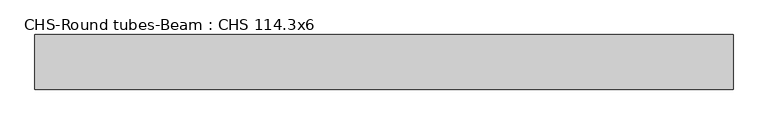
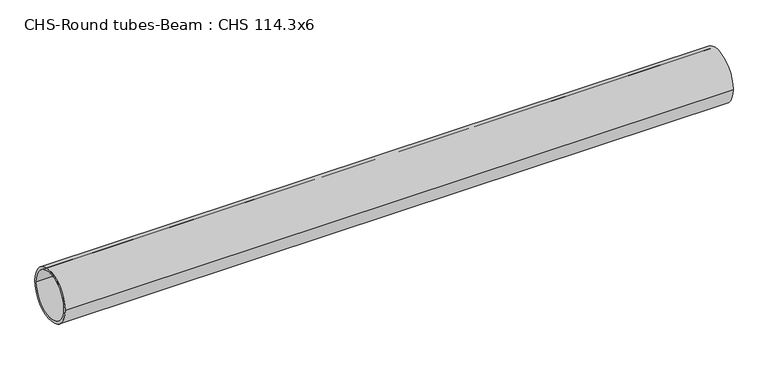
"""IFC4 building model written with IfcOpenShell, lengths in millimetres: beam geometry, CHS-Round tubes-Beam : CHS 114.3x6."""

import ifcopenshell
import ifcopenshell.guid

model = None  # the IFC model being written
_history = None  # IfcOwnerHistory: only IFC2X3 demands one
_inside = {}  # id of a spatial element -> (the spatial element, [elements in it])
_under = {}  # id of a project, library or spatial element -> (it, [spatial elements below it])
_declared = {}  # id of a project -> (the project, [libraries it declares])
_typed = {}  # id of a type object -> (the type object, [elements of that type])
_made_of = {}  # id of a material, layer set ... -> (it, [elements and type objects made of it])


def new_model(schema):
    """Start an empty IFC model of exactly this schema.

    Asked for "IFC4X3", IfcOpenShell would pick the latest addendum, in which some entities
    have other attributes; the version numbers below select the first issue.
    IFC2X3 requires an IfcOwnerHistory on every rooted entity: one is made here for all.
    """
    global model, _history
    if schema == "IFC4X3":
        model = ifcopenshell.file(schema_version=(4, 3, 0, 0))
    else:
        model = ifcopenshell.file(schema=schema)
    _inside.clear()
    _under.clear()
    _declared.clear()
    _typed.clear()
    _made_of.clear()
    _history = None
    if model.schema == "IFC2X3":
        org = make("IfcOrganization", Name="unknown")
        user = make(
            "IfcPersonAndOrganization",
            ThePerson=make("IfcPerson", FamilyName="unknown"),
            TheOrganization=org,
        )
        app = make(
            "IfcApplication",
            ApplicationDeveloper=org,
            Version="unknown",
            ApplicationFullName="unknown",
            ApplicationIdentifier="unknown",
        )
        _history = make(
            "IfcOwnerHistory",
            OwningUser=user,
            OwningApplication=app,
            ChangeAction="ADDED",
            CreationDate=0,
        )
    return model


def make(cls, **values):
    """One entity of the class cls with the attributes given. An attribute that is None is left unset."""
    return model.create_entity(
        cls, **{name: value for name, value in values.items() if value is not None}
    )


def rooted(cls, **values):
    """An entity with a GlobalId (a new one), such as an element, a storey or a relation."""
    return make(cls, GlobalId=ifcopenshell.guid.new(), OwnerHistory=_history, **values)


def si_unit(unit_type, name, prefix=None):
    """IfcSIUnit, for example si_unit("LENGTHUNIT", "METRE", prefix="MILLI")."""
    return make("IfcSIUnit", UnitType=unit_type, Prefix=prefix, Name=name)


def assignment(units):
    """IfcUnitAssignment: the units of a project."""
    return None if units is None else make("IfcUnitAssignment", Units=units)


def point(xyz):
    """IfcCartesianPoint."""
    return None if xyz is None else make("IfcCartesianPoint", Coordinates=xyz)


def direction(xyz):
    """IfcDirection."""
    return None if xyz is None else make("IfcDirection", DirectionRatios=xyz)


def frame(location, z_axis=None, x_axis=None):
    """IfcAxis2Placement3D, a coordinate frame: its origin and axes. An axis left out is left unset."""
    return make(
        "IfcAxis2Placement3D",
        Location=point(location),
        Axis=direction(z_axis),
        RefDirection=direction(x_axis),
    )


def frame_2d(location, x_axis=None):
    """IfcAxis2Placement2D, a coordinate frame in the plane: its origin and x axis."""
    return make(
        "IfcAxis2Placement2D", Location=point(location), RefDirection=direction(x_axis)
    )


def origin():
    """The frame at (0, 0, 0) with its axes left unset."""
    return frame((0.0, 0.0, 0.0))


def origin_2d():
    """The frame at (0, 0) in the plane with its x axis left unset."""
    return frame_2d((0.0, 0.0))


def place(relative_to, where):
    """IfcLocalPlacement: puts the frame where relative to a parent placement (None: the world)."""
    return make(
        "IfcLocalPlacement", PlacementRelTo=relative_to, RelativePlacement=where
    )


def context(
    kind, dimensions, precision=None, world=None, true_north=None, identifier=None
):
    """IfcGeometricRepresentationContext, for example the 3D "Model" context."""
    return make(
        "IfcGeometricRepresentationContext",
        ContextIdentifier=identifier,
        ContextType=kind,
        CoordinateSpaceDimension=dimensions,
        Precision=precision,
        WorldCoordinateSystem=world,
        TrueNorth=true_north,
    )


def project(units=None, contexts=None):
    """IfcProject with its units and contexts."""
    return rooted(
        "IfcProject",
        Name="project",
        RepresentationContexts=contexts,
        UnitsInContext=assignment(units),
    )


def spatial(cls, under=None, at=None, **own):
    """A site, building, storey or space (cls), placed at a placement, below another one or the project."""
    s = rooted(cls, ObjectPlacement=at, **own)
    if under is not None:
        _under.setdefault(under.id(), (under, []))[1].append(s)
    return s


def circle_curve(where, radius):
    """IfcCircle in the frame where."""
    return make("IfcCircle", Position=where, Radius=radius)


def trimmed(basis, trim1, trim2, sense, master):
    """IfcTrimmedCurve: the piece of a basis curve between two trims."""
    return make(
        "IfcTrimmedCurve",
        BasisCurve=basis,
        Trim1=trim1,
        Trim2=trim2,
        SenseAgreement=sense,
        MasterRepresentation=master,
    )


def segment(curve, same_sense, transition):
    """IfcCompositeCurveSegment."""
    return make(
        "IfcCompositeCurveSegment",
        Transition=transition,
        SameSense=same_sense,
        ParentCurve=curve,
    )


def composite_curve(segments, self_intersect=None):
    """IfcCompositeCurve: segments joined end to end."""
    return make("IfcCompositeCurve", Segments=segments, SelfIntersect=self_intersect)


def outline(outer, holes=None, kind="AREA"):
    """IfcArbitraryClosedProfileDef: a profile drawn as a closed curve; with holes, ...WithVoids."""
    if holes is None:
        return make("IfcArbitraryClosedProfileDef", ProfileType=kind, OuterCurve=outer)
    return make(
        "IfcArbitraryProfileDefWithVoids",
        ProfileType=kind,
        OuterCurve=outer,
        InnerCurves=holes,
    )


def extrude(swept, where, along, depth):
    """IfcExtrudedAreaSolid: the profile swept, set in the frame where, extruded along a direction by depth."""
    return make(
        "IfcExtrudedAreaSolid",
        SweptArea=swept,
        Position=where,
        ExtrudedDirection=direction(along),
        Depth=depth,
    )


def shape(context_of_items, identifier, shape_type, items):
    """IfcShapeRepresentation: the items that make up one representation, for example the "Body"."""
    return make(
        "IfcShapeRepresentation",
        ContextOfItems=context_of_items,
        RepresentationIdentifier=identifier,
        RepresentationType=shape_type,
        Items=items,
    )


def source(mapping_origin, context_of_items, identifier, shape_type, items):
    """IfcRepresentationMap: a shape defined once, which mapped items show again and again."""
    return make(
        "IfcRepresentationMap",
        MappingOrigin=mapping_origin,
        MappedRepresentation=shape(context_of_items, identifier, shape_type, items),
    )


def transform(
    local_origin,
    x_axis=None,
    y_axis=None,
    z_axis=None,
    scale=None,
    scale2=None,
    scale3=None,
    uniform=True,
):
    """IfcCartesianTransformationOperator3D, or its non-uniform kind. x_axis, y_axis, z_axis: its Axis1, 2, 3."""
    if uniform:
        return make(
            "IfcCartesianTransformationOperator3D",
            Axis1=direction(x_axis),
            Axis2=direction(y_axis),
            LocalOrigin=point(local_origin),
            Scale=scale,
            Axis3=direction(z_axis),
        )
    return make(
        "IfcCartesianTransformationOperator3DnonUniform",
        Axis1=direction(x_axis),
        Axis2=direction(y_axis),
        LocalOrigin=point(local_origin),
        Scale=scale,
        Axis3=direction(z_axis),
        Scale2=scale2,
        Scale3=scale3,
    )


def mapped(mapping_source, mapping_target):
    """IfcMappedItem: shows the shape of a source again, moved by a transform."""
    return make(
        "IfcMappedItem", MappingSource=mapping_source, MappingTarget=mapping_target
    )


def made_of(thing, what):
    """Note that an element or type object is made of a material, layer set ...; save() writes the relation."""
    if what is not None:
        _made_of.setdefault(what.id(), (what, []))[1].append(thing)
    return thing


def element(
    cls,
    number,
    at=None,
    inside=None,
    cuts=None,
    type_object=None,
    material=None,
    context=None,
    identifier="Body",
    shape_type=None,
    held_by="IfcProductDefinitionShape",
    body=None,
    shapes=None,
    **own,
):
    """One element of the class cls, such as IfcWall. Its Tag is "e" and its number.

    at: its placement. inside: the storey or other place that contains it. cuts: it is an
    opening in that element (IfcRelVoidsElement). A single representation is given by context,
    identifier, shape_type and body (its items); several are given by shapes. held_by: the class
    of the entity that holds the representations. save() writes the other relations.
    """
    e = rooted(cls, Tag="e%d" % number, ObjectPlacement=at, **own)
    if body is not None:
        shapes = [shape(context, identifier, shape_type, body)]
    if shapes is not None:
        e.Representation = make(held_by, Representations=shapes)
    if inside is not None:
        _inside.setdefault(inside.id(), (inside, []))[1].append(e)
    if cuts is not None:
        rooted(
            "IfcRelVoidsElement", RelatingBuildingElement=cuts, RelatedOpeningElement=e
        )
    if type_object is not None:
        _typed.setdefault(type_object.id(), (type_object, []))[1].append(e)
    return made_of(e, material)


def aggregate(whole, parts):
    """IfcRelAggregates: a whole, such as a stair, and the parts it consists of."""
    return rooted("IfcRelAggregates", RelatingObject=whole, RelatedObjects=parts)


def save(model, path):
    """Write the relations noted so far, then the file.

    IfcRelAggregates (storeys below a building ...), IfcRelContainedInSpatialStructure (elements
    in a storey), IfcRelDefinesByType, IfcRelAssociatesMaterial and IfcRelDeclares: one each for
    every whole, place, type object, material and project.
    """
    for whole, parts in _under.values():
        aggregate(whole, parts)
    for where, things in _inside.values():
        rooted(
            "IfcRelContainedInSpatialStructure",
            RelatedElements=things,
            RelatingStructure=where,
        )
    for kind, things in _typed.values():
        rooted("IfcRelDefinesByType", RelatedObjects=things, RelatingType=kind)
    for what, things in _made_of.values():
        rooted("IfcRelAssociatesMaterial", RelatedObjects=things, RelatingMaterial=what)
    for by, libraries in _declared.values():
        rooted("IfcRelDeclares", RelatingContext=by, RelatedDefinitions=libraries)
    model.write(path)


def chs_round_tubes_beam_chs_114_3x6_b8f8d88b(model_context):
    return source(origin(), model_context, "Body", "SweptSolid", [
        extrude(outline(composite_curve([segment(trimmed(circle_curve(origin_2d(), 57.15), [point((57.15, 0.0))], [point((-57.15, 0.0))], False, "CARTESIAN"), True, "CONTINUOUS"), segment(trimmed(circle_curve(origin_2d(), 57.15), [point((-57.15, 0.0))], [point((57.15, 0.0))], False, "CARTESIAN"), True, "CONTINUOUS")], self_intersect=False), holes=[composite_curve([segment(trimmed(circle_curve(origin_2d(), 51.15), [point((51.15, 0.0))], [point((-51.15, 0.0))], True, "CARTESIAN"), True, "CONTINUOUS"), segment(trimmed(circle_curve(origin_2d(), 51.15), [point((-51.15, 0.0))], [point((51.15, 0.0))], True, "CARTESIAN"), True, "CONTINUOUS")], self_intersect=False)]), frame((-772.0878621, 0.0, 0.0), z_axis=(1.0, 0.0, 0.0), x_axis=(0.0, 1.0, 0.0)), (0.0, 0.0, 1.0), 1461.4166669),
    ])


if __name__ == "__main__":
    model = new_model("IFC4")
    model_context = context("Model", 3, world=origin())
    ifc_project = project(units=[si_unit("LENGTHUNIT", "METRE", prefix="MILLI")], contexts=[model_context])
    site = spatial("IfcSite", under=ifc_project)
    building = spatial("IfcBuilding", under=site)
    placement = place(None, origin())
    chs_round_tubes_beam_chs_114_3x6_shape = chs_round_tubes_beam_chs_114_3x6_b8f8d88b(model_context)
    element("IfcBeam", 1, ObjectType="CHS-Round tubes-Beam : CHS 114.3x6", at=placement, inside=building, context=model_context, shape_type="MappedRepresentation", body=[
        mapped(chs_round_tubes_beam_chs_114_3x6_shape, transform((0.0, 0.0, 0.0), x_axis=(1.0, 0.0, 0.0), y_axis=(0.0, 1.0, 0.0), z_axis=(0.0, 0.0, 1.0))),
    ])
    save(model, "model.ifc")
